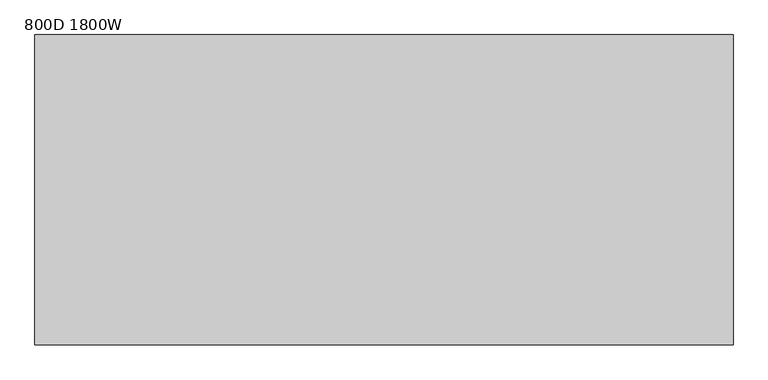
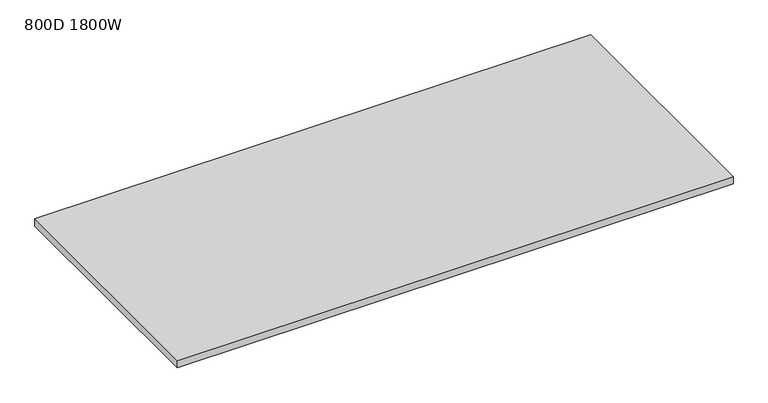
"""IFC4 building model written with IfcOpenShell, lengths in millimetres: furniture geometry, 800D 1800W."""

from ifc_helpers import new_model, si_unit, frame, origin, place, context, project, spatial, polyline, outline, extrude, source, transform, mapped, element, save


def furniture_800d_1800w_74b5b0dd(model_context):
    return source(origin(), model_context, "Body", "SweptSolid", [
        extrude(outline(polyline([(-900.0, -800.0), (-900.0, 0.0), (900.0, 0.0), (900.0, -800.0), (-900.0, -800.0)])), frame((0.0, 0.0, 715.0), z_axis=(0.0, 0.0, 1.0), x_axis=(1.0, 0.0, 0.0)), (0.0, 0.0, 1.0), 25.0),
    ])


if __name__ == "__main__":
    model = new_model("IFC4")
    model_context = context("Model", 3, world=origin())
    ifc_project = project(units=[si_unit("LENGTHUNIT", "METRE", prefix="MILLI")], contexts=[model_context])
    site = spatial("IfcSite", under=ifc_project)
    building = spatial("IfcBuilding", under=site)
    placement = place(None, origin())
    furniture_800d_1800w_shape = furniture_800d_1800w_74b5b0dd(model_context)
    element("IfcFurniture", 1, ObjectType="800D 1800W", at=placement, inside=building, context=model_context, shape_type="MappedRepresentation", body=[
        mapped(furniture_800d_1800w_shape, transform((0.0, 0.0, 0.0), x_axis=(1.0, 0.0, 0.0), y_axis=(0.0, 1.0, 0.0), z_axis=(0.0, 0.0, 1.0))),
    ])
    save(model, "model.ifc")
